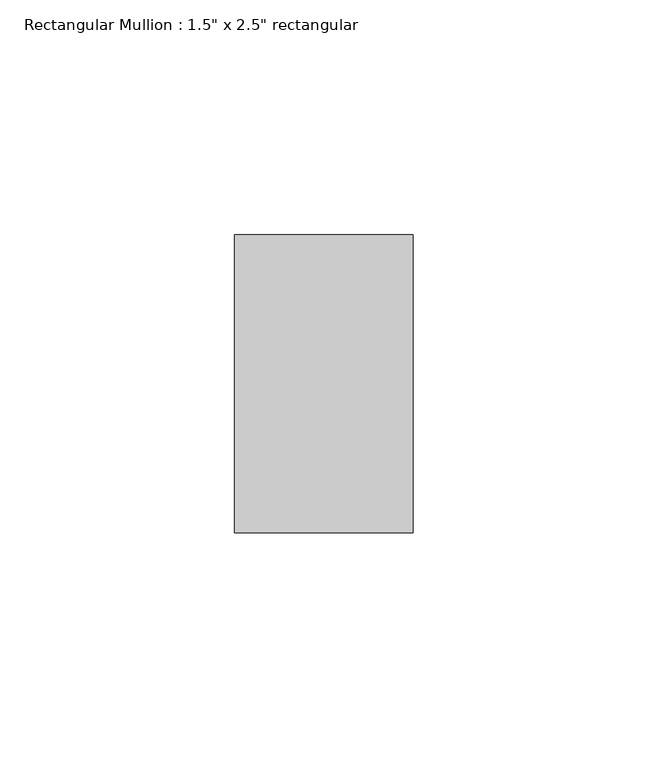
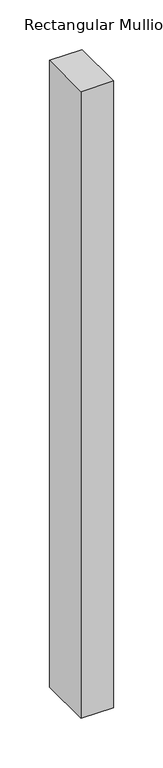
"""IFC4 building model written with IfcOpenShell, lengths in millimetres: member geometry."""

import ifcopenshell
import ifcopenshell.guid

model = None  # the IFC model being written
_history = None  # IfcOwnerHistory: only IFC2X3 demands one
_inside = {}  # id of a spatial element -> (the spatial element, [elements in it])
_under = {}  # id of a project, library or spatial element -> (it, [spatial elements below it])
_declared = {}  # id of a project -> (the project, [libraries it declares])
_typed = {}  # id of a type object -> (the type object, [elements of that type])
_made_of = {}  # id of a material, layer set ... -> (it, [elements and type objects made of it])


def new_model(schema):
    """Start an empty IFC model of exactly this schema.

    Asked for "IFC4X3", IfcOpenShell would pick the latest addendum, in which some entities
    have other attributes; the version numbers below select the first issue.
    IFC2X3 requires an IfcOwnerHistory on every rooted entity: one is made here for all.
    """
    global model, _history
    if schema == "IFC4X3":
        model = ifcopenshell.file(schema_version=(4, 3, 0, 0))
    else:
        model = ifcopenshell.file(schema=schema)
    _inside.clear()
    _under.clear()
    _declared.clear()
    _typed.clear()
    _made_of.clear()
    _history = None
    if model.schema == "IFC2X3":
        org = make("IfcOrganization", Name="unknown")
        user = make(
            "IfcPersonAndOrganization",
            ThePerson=make("IfcPerson", FamilyName="unknown"),
            TheOrganization=org,
        )
        app = make(
            "IfcApplication",
            ApplicationDeveloper=org,
            Version="unknown",
            ApplicationFullName="unknown",
            ApplicationIdentifier="unknown",
        )
        _history = make(
            "IfcOwnerHistory",
            OwningUser=user,
            OwningApplication=app,
            ChangeAction="ADDED",
            CreationDate=0,
        )
    return model


def make(cls, **values):
    """One entity of the class cls with the attributes given. An attribute that is None is left unset."""
    return model.create_entity(
        cls, **{name: value for name, value in values.items() if value is not None}
    )


def rooted(cls, **values):
    """An entity with a GlobalId (a new one), such as an element, a storey or a relation."""
    return make(cls, GlobalId=ifcopenshell.guid.new(), OwnerHistory=_history, **values)


def si_unit(unit_type, name, prefix=None):
    """IfcSIUnit, for example si_unit("LENGTHUNIT", "METRE", prefix="MILLI")."""
    return make("IfcSIUnit", UnitType=unit_type, Prefix=prefix, Name=name)


def assignment(units):
    """IfcUnitAssignment: the units of a project."""
    return None if units is None else make("IfcUnitAssignment", Units=units)


def point(xyz):
    """IfcCartesianPoint."""
    return None if xyz is None else make("IfcCartesianPoint", Coordinates=xyz)


def direction(xyz):
    """IfcDirection."""
    return None if xyz is None else make("IfcDirection", DirectionRatios=xyz)


def frame(location, z_axis=None, x_axis=None):
    """IfcAxis2Placement3D, a coordinate frame: its origin and axes. An axis left out is left unset."""
    return make(
        "IfcAxis2Placement3D",
        Location=point(location),
        Axis=direction(z_axis),
        RefDirection=direction(x_axis),
    )


def origin():
    """The frame at (0, 0, 0) with its axes left unset."""
    return frame((0.0, 0.0, 0.0))


def place(relative_to, where):
    """IfcLocalPlacement: puts the frame where relative to a parent placement (None: the world)."""
    return make(
        "IfcLocalPlacement", PlacementRelTo=relative_to, RelativePlacement=where
    )


def context(
    kind, dimensions, precision=None, world=None, true_north=None, identifier=None
):
    """IfcGeometricRepresentationContext, for example the 3D "Model" context."""
    return make(
        "IfcGeometricRepresentationContext",
        ContextIdentifier=identifier,
        ContextType=kind,
        CoordinateSpaceDimension=dimensions,
        Precision=precision,
        WorldCoordinateSystem=world,
        TrueNorth=true_north,
    )


def project(units=None, contexts=None):
    """IfcProject with its units and contexts."""
    return rooted(
        "IfcProject",
        Name="project",
        RepresentationContexts=contexts,
        UnitsInContext=assignment(units),
    )


def spatial(cls, under=None, at=None, **own):
    """A site, building, storey or space (cls), placed at a placement, below another one or the project."""
    s = rooted(cls, ObjectPlacement=at, **own)
    if under is not None:
        _under.setdefault(under.id(), (under, []))[1].append(s)
    return s


def polyline(points):
    """IfcPolyline through the points."""
    return make("IfcPolyline", Points=[point(p) for p in points])


def outline(outer, holes=None, kind="AREA"):
    """IfcArbitraryClosedProfileDef: a profile drawn as a closed curve; with holes, ...WithVoids."""
    if holes is None:
        return make("IfcArbitraryClosedProfileDef", ProfileType=kind, OuterCurve=outer)
    return make(
        "IfcArbitraryProfileDefWithVoids",
        ProfileType=kind,
        OuterCurve=outer,
        InnerCurves=holes,
    )


def extrude(swept, where, along, depth):
    """IfcExtrudedAreaSolid: the profile swept, set in the frame where, extruded along a direction by depth."""
    return make(
        "IfcExtrudedAreaSolid",
        SweptArea=swept,
        Position=where,
        ExtrudedDirection=direction(along),
        Depth=depth,
    )


def shape(context_of_items, identifier, shape_type, items):
    """IfcShapeRepresentation: the items that make up one representation, for example the "Body"."""
    return make(
        "IfcShapeRepresentation",
        ContextOfItems=context_of_items,
        RepresentationIdentifier=identifier,
        RepresentationType=shape_type,
        Items=items,
    )


def source(mapping_origin, context_of_items, identifier, shape_type, items):
    """IfcRepresentationMap: a shape defined once, which mapped items show again and again."""
    return make(
        "IfcRepresentationMap",
        MappingOrigin=mapping_origin,
        MappedRepresentation=shape(context_of_items, identifier, shape_type, items),
    )


def transform(
    local_origin,
    x_axis=None,
    y_axis=None,
    z_axis=None,
    scale=None,
    scale2=None,
    scale3=None,
    uniform=True,
):
    """IfcCartesianTransformationOperator3D, or its non-uniform kind. x_axis, y_axis, z_axis: its Axis1, 2, 3."""
    if uniform:
        return make(
            "IfcCartesianTransformationOperator3D",
            Axis1=direction(x_axis),
            Axis2=direction(y_axis),
            LocalOrigin=point(local_origin),
            Scale=scale,
            Axis3=direction(z_axis),
        )
    return make(
        "IfcCartesianTransformationOperator3DnonUniform",
        Axis1=direction(x_axis),
        Axis2=direction(y_axis),
        LocalOrigin=point(local_origin),
        Scale=scale,
        Axis3=direction(z_axis),
        Scale2=scale2,
        Scale3=scale3,
    )


def mapped(mapping_source, mapping_target):
    """IfcMappedItem: shows the shape of a source again, moved by a transform."""
    return make(
        "IfcMappedItem", MappingSource=mapping_source, MappingTarget=mapping_target
    )


def made_of(thing, what):
    """Note that an element or type object is made of a material, layer set ...; save() writes the relation."""
    if what is not None:
        _made_of.setdefault(what.id(), (what, []))[1].append(thing)
    return thing


def element(
    cls,
    number,
    at=None,
    inside=None,
    cuts=None,
    type_object=None,
    material=None,
    context=None,
    identifier="Body",
    shape_type=None,
    held_by="IfcProductDefinitionShape",
    body=None,
    shapes=None,
    **own,
):
    """One element of the class cls, such as IfcWall. Its Tag is "e" and its number.

    at: its placement. inside: the storey or other place that contains it. cuts: it is an
    opening in that element (IfcRelVoidsElement). A single representation is given by context,
    identifier, shape_type and body (its items); several are given by shapes. held_by: the class
    of the entity that holds the representations. save() writes the other relations.
    """
    e = rooted(cls, Tag="e%d" % number, ObjectPlacement=at, **own)
    if body is not None:
        shapes = [shape(context, identifier, shape_type, body)]
    if shapes is not None:
        e.Representation = make(held_by, Representations=shapes)
    if inside is not None:
        _inside.setdefault(inside.id(), (inside, []))[1].append(e)
    if cuts is not None:
        rooted(
            "IfcRelVoidsElement", RelatingBuildingElement=cuts, RelatedOpeningElement=e
        )
    if type_object is not None:
        _typed.setdefault(type_object.id(), (type_object, []))[1].append(e)
    return made_of(e, material)


def aggregate(whole, parts):
    """IfcRelAggregates: a whole, such as a stair, and the parts it consists of."""
    return rooted("IfcRelAggregates", RelatingObject=whole, RelatedObjects=parts)


def save(model, path):
    """Write the relations noted so far, then the file.

    IfcRelAggregates (storeys below a building ...), IfcRelContainedInSpatialStructure (elements
    in a storey), IfcRelDefinesByType, IfcRelAssociatesMaterial and IfcRelDeclares: one each for
    every whole, place, type object, material and project.
    """
    for whole, parts in _under.values():
        aggregate(whole, parts)
    for where, things in _inside.values():
        rooted(
            "IfcRelContainedInSpatialStructure",
            RelatedElements=things,
            RelatingStructure=where,
        )
    for kind, things in _typed.values():
        rooted("IfcRelDefinesByType", RelatedObjects=things, RelatingType=kind)
    for what, things in _made_of.values():
        rooted("IfcRelAssociatesMaterial", RelatedObjects=things, RelatingMaterial=what)
    for by, libraries in _declared.values():
        rooted("IfcRelDeclares", RelatingContext=by, RelatedDefinitions=libraries)
    model.write(path)


def member_e7f7ea56(model_context):
    return source(origin(), model_context, "Body", "SweptSolid", [
        extrude(outline(polyline([(19.05, 82.55), (19.05, 19.05), (-19.05, 19.05), (-19.05, 82.55), (19.05, 82.55)])), frame((0.0, 0.0, -771.476294), z_axis=(0.0, 0.0, 1.0), x_axis=(1.0, 0.0, 0.0)), (0.0, 0.0, 1.0), 771.476294),
    ])


if __name__ == "__main__":
    model = new_model("IFC4")
    model_context = context("Model", 3, world=origin())
    ifc_project = project(units=[si_unit("LENGTHUNIT", "METRE", prefix="MILLI")], contexts=[model_context])
    site = spatial("IfcSite", under=ifc_project)
    building = spatial("IfcBuilding", under=site)
    placement = place(None, origin())
    member_shape = member_e7f7ea56(model_context)
    element("IfcMember", 1, ObjectType="Rectangular Mullion : 1.5\" x 2.5\" rectangular", at=placement, inside=building, context=model_context, shape_type="MappedRepresentation", body=[
        mapped(member_shape, transform((0.0, 0.0, 0.0), x_axis=(1.0, 0.0, 0.0), y_axis=(0.0, 1.0, 0.0), z_axis=(0.0, 0.0, 1.0))),
    ])
    save(model, "model.ifc")
